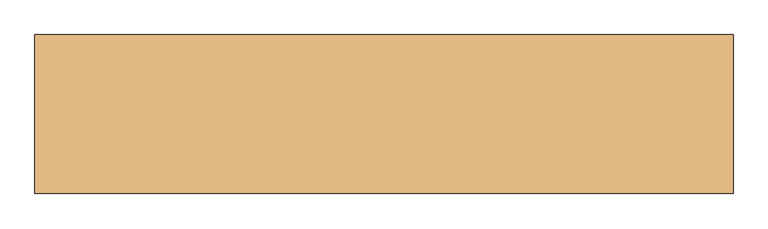
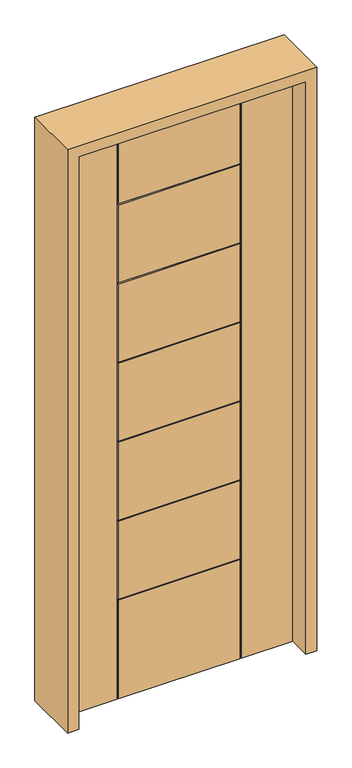
"""IFC4 building model written with IfcOpenShell, lengths in millimetres: door geometry."""

from ifc_helpers import new_model, si_unit, frame, origin, place, context, project, spatial, polyline, outline, extrude, faceted_brep, source, transform, mapped, element, save


def door_be76879d(model_context):
    return source(origin(), model_context, "Body", "SolidModel", [
        faceted_brep([(457.2, 22.225, 2438.4), (250.063, 22.225, 2438.4), (250.063, 17.4498, 2438.4), (245.2878, 17.4498, 2438.4), (245.2878, 22.225, 2438.4), (-245.2878, 22.225, 2438.4), (-245.2878, 17.4498, 2438.4), (-250.063, 17.4498, 2438.4), (-250.063, 22.225, 2438.4), (-457.2, 22.225, 2438.4), (-457.2, -22.225, 2438.4), (-250.063, -22.225, 2438.4), (-250.063, -17.4498, 2438.4), (-245.2878, -17.4498, 2438.4), (-245.2878, -22.225, 2438.4), (245.2878, -22.225, 2438.4), (245.2878, -17.4498, 2438.4), (250.063, -17.4498, 2438.4), (250.063, -22.225, 2438.4), (457.2, -22.225, 2438.4), (-457.2, 22.225, 0.0), (-250.063, 22.225, 0.0), (-250.063, 17.4498, 0.0), (-245.2878, 17.4498, 0.0), (-245.2878, 22.225, 0.0), (245.2878, 22.225, 0.0), (245.2878, 17.4498, 0.0), (250.063, 17.4498, 0.0), (250.063, 22.225, 0.0), (457.2, 22.225, 0.0), (457.2, -22.225, 0.0), (250.063, -22.225, 0.0), (250.063, -17.4498, 0.0), (245.2878, -17.4498, 0.0), (245.2878, -22.225, 0.0), (-245.2878, -22.225, 0.0), (-245.2878, -17.4498, 0.0), (-250.063, -17.4498, 0.0), (-250.063, -22.225, 0.0), (-457.2, -22.225, 0.0), (250.063, 22.225, 421.8568831), (245.2878, 22.225, 2107.438), (-245.2878, 22.225, 2107.438), (245.2878, 22.225, 756.666), (245.2878, 22.225, 424.8912), (-245.2878, 22.225, 424.8912), (-245.2878, 22.225, 756.666), (-245.2878, 22.225, 420.116), (245.2878, 22.225, 420.116), (245.2878, 22.225, 1770.9388), (-245.2878, 22.225, 1770.9388), (-245.2878, 22.225, 2102.6628), (245.2878, 22.225, 2102.6628), (245.2878, 22.225, 1766.1636), (245.2878, 22.225, 1434.4396), (-245.2878, 22.225, 1434.4396), (-245.2878, 22.225, 1766.1636), (245.2878, 22.225, 1097.9404), (-245.2878, 22.225, 1097.9404), (-245.2878, 22.225, 1429.6644), (245.2878, 22.225, 1429.6644), (245.2878, 22.225, 1093.1652), (245.2878, 22.225, 761.4412), (-245.2878, 22.225, 761.4412), (-245.2878, 22.225, 1093.1652), (-245.2878, -22.225, 2107.438), (245.2878, -22.225, 2107.438), (245.2878, -22.225, 2102.6628), (-245.2878, -22.225, 2102.6628), (-245.2878, -22.225, 1770.9388), (245.2878, -22.225, 1770.9388), (-245.2878, -22.225, 1766.1636), (-245.2878, -22.225, 1434.4396), (245.2878, -22.225, 1434.4396), (245.2878, -22.225, 1766.1636), (245.2878, -22.225, 1429.6644), (-245.2878, -22.225, 1429.6644), (-245.2878, -22.225, 1097.9404), (245.2878, -22.225, 1097.9404), (-245.2878, -22.225, 1093.1652), (-245.2878, -22.225, 761.4412), (245.2878, -22.225, 761.4412), (245.2878, -22.225, 1093.1652), (-245.2878, -22.225, 756.666), (-245.2878, -22.225, 424.8912), (245.2878, -22.225, 424.8912), (245.2878, -22.225, 756.666), (245.2878, -22.225, 420.116), (-245.2878, -22.225, 420.116), (-245.2878, 17.4498, 2107.438), (245.2878, 17.4498, 2107.438), (250.063, 17.4498, 421.8568831), (245.2878, 17.4498, 420.116), (-245.2878, 17.4498, 420.116), (245.2878, 17.4498, 756.666), (-245.2878, 17.4498, 756.666), (-245.2878, 17.4498, 424.8912), (245.2878, 17.4498, 424.8912), (245.2878, 17.4498, 2102.6628), (-245.2878, 17.4498, 2102.6628), (-245.2878, 17.4498, 1770.9388), (245.2878, 17.4498, 1770.9388), (-245.2878, 17.4498, 1766.1636), (-245.2878, 17.4498, 1434.4396), (245.2878, 17.4498, 1434.4396), (245.2878, 17.4498, 1766.1636), (245.2878, 17.4498, 1429.6644), (-245.2878, 17.4498, 1429.6644), (-245.2878, 17.4498, 1097.9404), (245.2878, 17.4498, 1097.9404), (-245.2878, 17.4498, 1093.1652), (-245.2878, 17.4498, 761.4412), (245.2878, 17.4498, 761.4412), (245.2878, 17.4498, 1093.1652), (-245.2878, -17.4498, 420.116), (245.2878, -17.4498, 420.116), (245.2878, -17.4498, 2107.438), (-245.2878, -17.4498, 2107.438), (245.2878, -17.4498, 756.666), (245.2878, -17.4498, 424.8912), (-245.2878, -17.4498, 424.8912), (-245.2878, -17.4498, 756.666), (245.2878, -17.4498, 2102.6628), (245.2878, -17.4498, 1770.9388), (-245.2878, -17.4498, 1770.9388), (-245.2878, -17.4498, 2102.6628), (-245.2878, -17.4498, 1766.1636), (245.2878, -17.4498, 1766.1636), (245.2878, -17.4498, 1434.4396), (-245.2878, -17.4498, 1434.4396), (245.2878, -17.4498, 1429.6644), (245.2878, -17.4498, 1097.9404), (-245.2878, -17.4498, 1097.9404), (-245.2878, -17.4498, 1429.6644), (-245.2878, -17.4498, 1093.1652), (245.2878, -17.4498, 1093.1652), (245.2878, -17.4498, 761.4412), (-245.2878, -17.4498, 761.4412)], [[[0, 1, 2, 3, 4, 5, 6, 7, 8, 9, 10, 11, 12, 13, 14, 15, 16, 17, 18, 19]], [[20, 21, 22, 23, 24, 25, 26, 27, 28, 29, 30, 31, 32, 33, 34, 35, 36, 37, 38, 39]], [[9, 8, 21, 20]], [[29, 28, 40, 1, 0]], [[4, 41, 42, 5]], [[43, 44, 45, 46]], [[24, 47, 48, 25]], [[49, 50, 51, 52]], [[53, 54, 55, 56]], [[57, 58, 59, 60]], [[61, 62, 63, 64]], [[19, 30, 29, 0]], [[19, 18, 31, 30]], [[39, 38, 11, 10]], [[14, 65, 66, 15]], [[67, 68, 69, 70]], [[71, 72, 73, 74]], [[75, 76, 77, 78]], [[79, 80, 81, 82]], [[83, 84, 85, 86]], [[34, 87, 88, 35]], [[9, 20, 39, 10]], [[23, 22, 7, 6, 89, 90, 3, 2, 91, 27, 26, 92, 93], [94, 95, 96, 97], [98, 99, 100, 101], [102, 103, 104, 105], [106, 107, 108, 109], [110, 111, 112, 113]], [[93, 47, 24, 23]], [[94, 43, 46, 95]], [[97, 44, 43, 94]], [[91, 40, 28, 27]], [[90, 41, 4, 3]], [[89, 42, 41, 90]], [[6, 5, 42, 89]], [[22, 21, 8, 7]], [[101, 49, 52, 98]], [[100, 50, 49, 101]], [[99, 51, 50, 100]], [[98, 52, 51, 99]], [[105, 53, 56, 102]], [[104, 54, 53, 105]], [[103, 55, 54, 104]], [[102, 56, 55, 103]], [[109, 57, 60, 106]], [[108, 58, 57, 109]], [[107, 59, 58, 108]], [[106, 60, 59, 107]], [[113, 61, 64, 110]], [[112, 62, 61, 113]], [[111, 63, 62, 112]], [[110, 64, 63, 111]], [[37, 36, 114, 115, 33, 32, 17, 16, 116, 117, 13, 12], [118, 119, 120, 121], [122, 123, 124, 125], [126, 127, 128, 129], [130, 131, 132, 133], [134, 135, 136, 137]], [[36, 35, 88, 114]], [[121, 83, 86, 118]], [[118, 86, 85, 119]], [[32, 31, 18, 17]], [[16, 15, 66, 116]], [[116, 66, 65, 117]], [[117, 65, 14, 13]], [[12, 11, 38, 37]], [[122, 67, 70, 123]], [[123, 70, 69, 124]], [[124, 69, 68, 125]], [[125, 68, 67, 122]], [[126, 71, 74, 127]], [[127, 74, 73, 128]], [[128, 73, 72, 129]], [[129, 72, 71, 126]], [[130, 75, 78, 131]], [[131, 78, 77, 132]], [[132, 77, 76, 133]], [[133, 76, 75, 130]], [[134, 79, 82, 135]], [[135, 82, 81, 136]], [[136, 81, 80, 137]], [[137, 80, 79, 134]], [[115, 87, 34, 33]], [[26, 25, 48, 92]], [[2, 1, 40, 91]], [[95, 46, 45, 96]], [[96, 45, 44, 97]], [[92, 48, 47, 93]], [[119, 85, 84, 120]], [[120, 84, 83, 121]], [[114, 88, 87, 115]]]),
        extrude(outline(polyline([(0.0, -501.65), (0.0, -457.2), (2438.4, -457.2), (2438.4, 457.2), (0.0, 457.2), (0.0, 501.65), (2482.85, 501.65), (2482.85, -501.65), (0.0, -501.65)])), frame((0.0, -114.3, 0.0), z_axis=(0.0, 1.0, 0.0), x_axis=(0.0, 0.0, 1.0)), (0.0, 0.0, 1.0), 228.6),
    ])


if __name__ == "__main__":
    model = new_model("IFC4")
    model_context = context("Model", 3, world=origin())
    ifc_project = project(units=[si_unit("LENGTHUNIT", "METRE", prefix="MILLI")], contexts=[model_context])
    site = spatial("IfcSite", under=ifc_project)
    building = spatial("IfcBuilding", under=site)
    placement = place(None, origin())
    door_shape = door_be76879d(model_context)
    element("IfcDoor", 1, at=placement, inside=building, context=model_context, shape_type="MappedRepresentation", body=[
        mapped(door_shape, transform((0.0, 0.0, 0.0), x_axis=(1.0, 0.0, 0.0), y_axis=(0.0, 1.0, 0.0), z_axis=(0.0, 0.0, 1.0))),
    ])
    save(model, "model.ifc")
